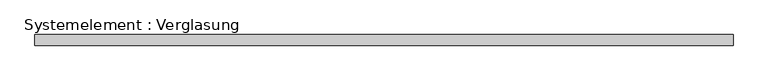
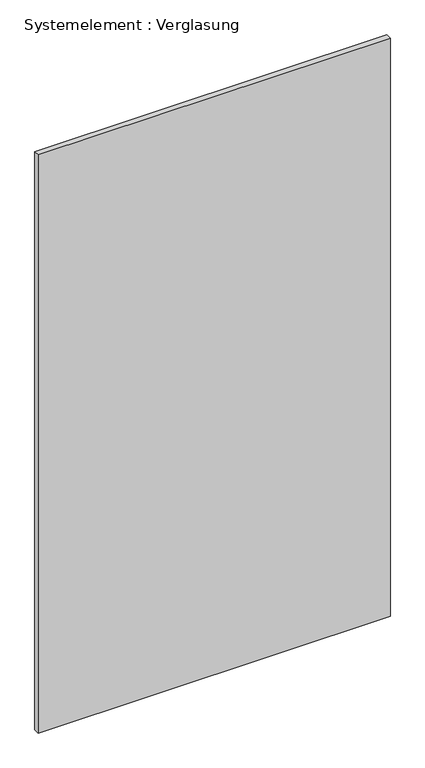
"""IFC4 building model written with IfcOpenShell, lengths in millimetres: plate geometry, Systemelement : Verglasung."""

import ifcopenshell
import ifcopenshell.guid

model = None  # the IFC model being written
_history = None  # IfcOwnerHistory: only IFC2X3 demands one
_inside = {}  # id of a spatial element -> (the spatial element, [elements in it])
_under = {}  # id of a project, library or spatial element -> (it, [spatial elements below it])
_declared = {}  # id of a project -> (the project, [libraries it declares])
_typed = {}  # id of a type object -> (the type object, [elements of that type])
_made_of = {}  # id of a material, layer set ... -> (it, [elements and type objects made of it])


def new_model(schema):
    """Start an empty IFC model of exactly this schema.

    Asked for "IFC4X3", IfcOpenShell would pick the latest addendum, in which some entities
    have other attributes; the version numbers below select the first issue.
    IFC2X3 requires an IfcOwnerHistory on every rooted entity: one is made here for all.
    """
    global model, _history
    if schema == "IFC4X3":
        model = ifcopenshell.file(schema_version=(4, 3, 0, 0))
    else:
        model = ifcopenshell.file(schema=schema)
    _inside.clear()
    _under.clear()
    _declared.clear()
    _typed.clear()
    _made_of.clear()
    _history = None
    if model.schema == "IFC2X3":
        org = make("IfcOrganization", Name="unknown")
        user = make(
            "IfcPersonAndOrganization",
            ThePerson=make("IfcPerson", FamilyName="unknown"),
            TheOrganization=org,
        )
        app = make(
            "IfcApplication",
            ApplicationDeveloper=org,
            Version="unknown",
            ApplicationFullName="unknown",
            ApplicationIdentifier="unknown",
        )
        _history = make(
            "IfcOwnerHistory",
            OwningUser=user,
            OwningApplication=app,
            ChangeAction="ADDED",
            CreationDate=0,
        )
    return model


def make(cls, **values):
    """One entity of the class cls with the attributes given. An attribute that is None is left unset."""
    return model.create_entity(
        cls, **{name: value for name, value in values.items() if value is not None}
    )


def rooted(cls, **values):
    """An entity with a GlobalId (a new one), such as an element, a storey or a relation."""
    return make(cls, GlobalId=ifcopenshell.guid.new(), OwnerHistory=_history, **values)


def si_unit(unit_type, name, prefix=None):
    """IfcSIUnit, for example si_unit("LENGTHUNIT", "METRE", prefix="MILLI")."""
    return make("IfcSIUnit", UnitType=unit_type, Prefix=prefix, Name=name)


def assignment(units):
    """IfcUnitAssignment: the units of a project."""
    return None if units is None else make("IfcUnitAssignment", Units=units)


def point(xyz):
    """IfcCartesianPoint."""
    return None if xyz is None else make("IfcCartesianPoint", Coordinates=xyz)


def direction(xyz):
    """IfcDirection."""
    return None if xyz is None else make("IfcDirection", DirectionRatios=xyz)


def frame(location, z_axis=None, x_axis=None):
    """IfcAxis2Placement3D, a coordinate frame: its origin and axes. An axis left out is left unset."""
    return make(
        "IfcAxis2Placement3D",
        Location=point(location),
        Axis=direction(z_axis),
        RefDirection=direction(x_axis),
    )


def origin():
    """The frame at (0, 0, 0) with its axes left unset."""
    return frame((0.0, 0.0, 0.0))


def origin_with_axes():
    """The frame at (0, 0, 0) with the z axis (0, 0, 1) and the x axis (1, 0, 0) written out."""
    return frame((0.0, 0.0, 0.0), z_axis=(0.0, 0.0, 1.0), x_axis=(1.0, 0.0, 0.0))


def place(relative_to, where):
    """IfcLocalPlacement: puts the frame where relative to a parent placement (None: the world)."""
    return make(
        "IfcLocalPlacement", PlacementRelTo=relative_to, RelativePlacement=where
    )


def context(
    kind, dimensions, precision=None, world=None, true_north=None, identifier=None
):
    """IfcGeometricRepresentationContext, for example the 3D "Model" context."""
    return make(
        "IfcGeometricRepresentationContext",
        ContextIdentifier=identifier,
        ContextType=kind,
        CoordinateSpaceDimension=dimensions,
        Precision=precision,
        WorldCoordinateSystem=world,
        TrueNorth=true_north,
    )


def project(units=None, contexts=None):
    """IfcProject with its units and contexts."""
    return rooted(
        "IfcProject",
        Name="project",
        RepresentationContexts=contexts,
        UnitsInContext=assignment(units),
    )


def spatial(cls, under=None, at=None, **own):
    """A site, building, storey or space (cls), placed at a placement, below another one or the project."""
    s = rooted(cls, ObjectPlacement=at, **own)
    if under is not None:
        _under.setdefault(under.id(), (under, []))[1].append(s)
    return s


def polyline(points):
    """IfcPolyline through the points."""
    return make("IfcPolyline", Points=[point(p) for p in points])


def outline(outer, holes=None, kind="AREA"):
    """IfcArbitraryClosedProfileDef: a profile drawn as a closed curve; with holes, ...WithVoids."""
    if holes is None:
        return make("IfcArbitraryClosedProfileDef", ProfileType=kind, OuterCurve=outer)
    return make(
        "IfcArbitraryProfileDefWithVoids",
        ProfileType=kind,
        OuterCurve=outer,
        InnerCurves=holes,
    )


def extrude(swept, where, along, depth):
    """IfcExtrudedAreaSolid: the profile swept, set in the frame where, extruded along a direction by depth."""
    return make(
        "IfcExtrudedAreaSolid",
        SweptArea=swept,
        Position=where,
        ExtrudedDirection=direction(along),
        Depth=depth,
    )


def shape(context_of_items, identifier, shape_type, items):
    """IfcShapeRepresentation: the items that make up one representation, for example the "Body"."""
    return make(
        "IfcShapeRepresentation",
        ContextOfItems=context_of_items,
        RepresentationIdentifier=identifier,
        RepresentationType=shape_type,
        Items=items,
    )


def source(mapping_origin, context_of_items, identifier, shape_type, items):
    """IfcRepresentationMap: a shape defined once, which mapped items show again and again."""
    return make(
        "IfcRepresentationMap",
        MappingOrigin=mapping_origin,
        MappedRepresentation=shape(context_of_items, identifier, shape_type, items),
    )


def transform(
    local_origin,
    x_axis=None,
    y_axis=None,
    z_axis=None,
    scale=None,
    scale2=None,
    scale3=None,
    uniform=True,
):
    """IfcCartesianTransformationOperator3D, or its non-uniform kind. x_axis, y_axis, z_axis: its Axis1, 2, 3."""
    if uniform:
        return make(
            "IfcCartesianTransformationOperator3D",
            Axis1=direction(x_axis),
            Axis2=direction(y_axis),
            LocalOrigin=point(local_origin),
            Scale=scale,
            Axis3=direction(z_axis),
        )
    return make(
        "IfcCartesianTransformationOperator3DnonUniform",
        Axis1=direction(x_axis),
        Axis2=direction(y_axis),
        LocalOrigin=point(local_origin),
        Scale=scale,
        Axis3=direction(z_axis),
        Scale2=scale2,
        Scale3=scale3,
    )


def mapped(mapping_source, mapping_target):
    """IfcMappedItem: shows the shape of a source again, moved by a transform."""
    return make(
        "IfcMappedItem", MappingSource=mapping_source, MappingTarget=mapping_target
    )


def made_of(thing, what):
    """Note that an element or type object is made of a material, layer set ...; save() writes the relation."""
    if what is not None:
        _made_of.setdefault(what.id(), (what, []))[1].append(thing)
    return thing


def element(
    cls,
    number,
    at=None,
    inside=None,
    cuts=None,
    type_object=None,
    material=None,
    context=None,
    identifier="Body",
    shape_type=None,
    held_by="IfcProductDefinitionShape",
    body=None,
    shapes=None,
    **own,
):
    """One element of the class cls, such as IfcWall. Its Tag is "e" and its number.

    at: its placement. inside: the storey or other place that contains it. cuts: it is an
    opening in that element (IfcRelVoidsElement). A single representation is given by context,
    identifier, shape_type and body (its items); several are given by shapes. held_by: the class
    of the entity that holds the representations. save() writes the other relations.
    """
    e = rooted(cls, Tag="e%d" % number, ObjectPlacement=at, **own)
    if body is not None:
        shapes = [shape(context, identifier, shape_type, body)]
    if shapes is not None:
        e.Representation = make(held_by, Representations=shapes)
    if inside is not None:
        _inside.setdefault(inside.id(), (inside, []))[1].append(e)
    if cuts is not None:
        rooted(
            "IfcRelVoidsElement", RelatingBuildingElement=cuts, RelatedOpeningElement=e
        )
    if type_object is not None:
        _typed.setdefault(type_object.id(), (type_object, []))[1].append(e)
    return made_of(e, material)


def aggregate(whole, parts):
    """IfcRelAggregates: a whole, such as a stair, and the parts it consists of."""
    return rooted("IfcRelAggregates", RelatingObject=whole, RelatedObjects=parts)


def save(model, path):
    """Write the relations noted so far, then the file.

    IfcRelAggregates (storeys below a building ...), IfcRelContainedInSpatialStructure (elements
    in a storey), IfcRelDefinesByType, IfcRelAssociatesMaterial and IfcRelDeclares: one each for
    every whole, place, type object, material and project.
    """
    for whole, parts in _under.values():
        aggregate(whole, parts)
    for where, things in _inside.values():
        rooted(
            "IfcRelContainedInSpatialStructure",
            RelatedElements=things,
            RelatingStructure=where,
        )
    for kind, things in _typed.values():
        rooted("IfcRelDefinesByType", RelatedObjects=things, RelatingType=kind)
    for what, things in _made_of.values():
        rooted("IfcRelAssociatesMaterial", RelatedObjects=things, RelatingMaterial=what)
    for by, libraries in _declared.values():
        rooted("IfcRelDeclares", RelatingContext=by, RelatedDefinitions=libraries)
    model.write(path)


def systemelement_verglasung_221ee11f(model_context):
    return source(origin(), model_context, "Body", "SweptSolid", [
        extrude(outline(polyline([(948.2094797, -15.0), (-948.2094797, -15.0), (-948.2094797, 15.0), (948.2094797, 15.0), (948.2094797, -15.0)])), origin_with_axes(), (0.0, 0.0, 1.0), 3290.0),
    ])


if __name__ == "__main__":
    model = new_model("IFC4")
    model_context = context("Model", 3, world=origin())
    ifc_project = project(units=[si_unit("LENGTHUNIT", "METRE", prefix="MILLI")], contexts=[model_context])
    site = spatial("IfcSite", under=ifc_project)
    building = spatial("IfcBuilding", under=site)
    placement = place(None, origin())
    systemelement_verglasung_shape = systemelement_verglasung_221ee11f(model_context)
    element("IfcPlate", 1, ObjectType="Systemelement : Verglasung", at=placement, inside=building, context=model_context, shape_type="MappedRepresentation", body=[
        mapped(systemelement_verglasung_shape, transform((0.0, 0.0, 0.0), x_axis=(1.0, 0.0, 0.0), y_axis=(0.0, 1.0, 0.0), z_axis=(0.0, 0.0, 1.0))),
    ])
    save(model, "model.ifc")
